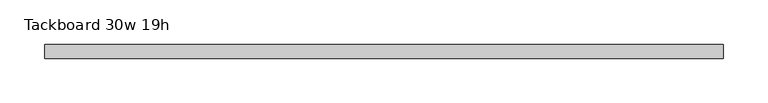
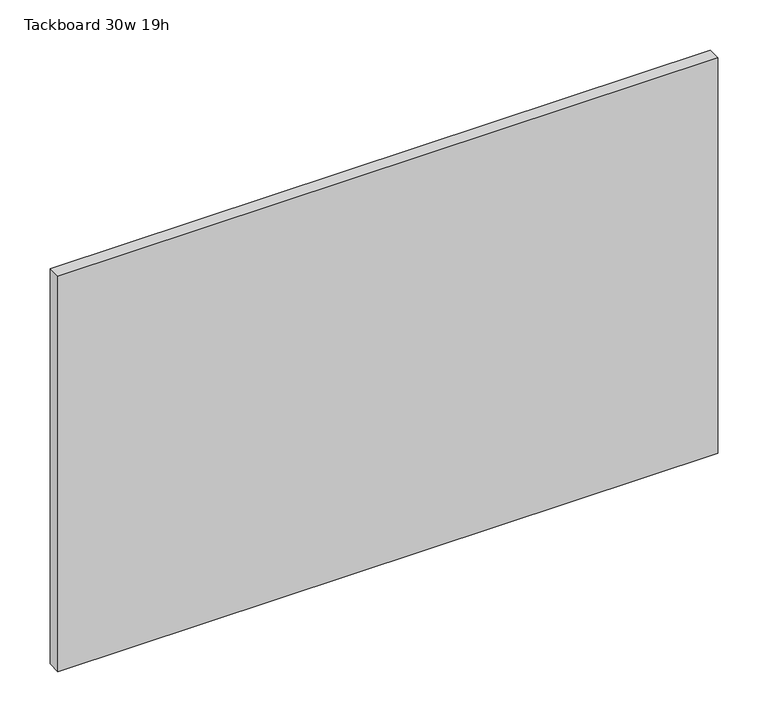
"""IFC4 building model written with IfcOpenShell, lengths in millimetres: furniture geometry, Tackboard 30w 19h."""

from ifc_helpers import new_model, si_unit, frame, origin, place, context, project, spatial, polyline, outline, extrude, source, transform, mapped, element, save


def tackboard_30w_19h_e10f8d26(model_context):
    return source(origin(), model_context, "Body", "SweptSolid", [
        extrude(outline(polyline([(383.4402902, -28.8968594), (-378.5597098, -28.8968594), (-378.5597098, -13.0218594), (383.4402902, -13.0218594), (383.4402902, -28.8968594)])), frame((0.0, 0.0, 1066.8), z_axis=(0.0, 0.0, 1.0), x_axis=(1.0, 0.0, 0.0)), (0.0, 0.0, 1.0), 482.6),
    ])


if __name__ == "__main__":
    model = new_model("IFC4")
    model_context = context("Model", 3, world=origin())
    ifc_project = project(units=[si_unit("LENGTHUNIT", "METRE", prefix="MILLI")], contexts=[model_context])
    site = spatial("IfcSite", under=ifc_project)
    building = spatial("IfcBuilding", under=site)
    placement = place(None, origin())
    tackboard_30w_19h_shape = tackboard_30w_19h_e10f8d26(model_context)
    element("IfcFurniture", 1, ObjectType="Tackboard 30w 19h", at=placement, inside=building, context=model_context, shape_type="MappedRepresentation", body=[
        mapped(tackboard_30w_19h_shape, transform((0.0, 0.0, 0.0), x_axis=(1.0, 0.0, 0.0), y_axis=(0.0, 1.0, 0.0), z_axis=(0.0, 0.0, 1.0))),
    ])
    save(model, "model.ifc")
